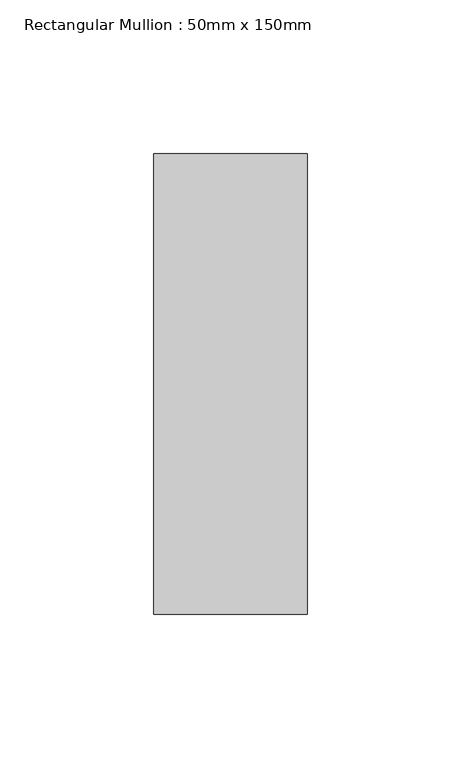
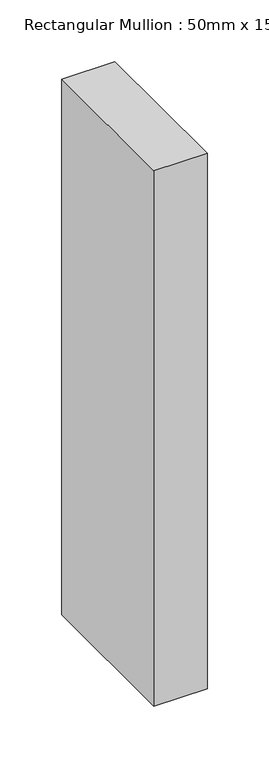
"""IFC4 building model written with IfcOpenShell, lengths in millimetres: member geometry, Rectangular Mullion : 50mm x 150mm."""

from ifc_helpers import new_model, si_unit, frame, origin, place, context, project, spatial, polyline, outline, extrude, source, transform, mapped, element, save


def rectangular_mullion_50mm_x_150mm_b6280d06(model_context):
    return source(origin(), model_context, "Body", "SweptSolid", [
        extrude(outline(polyline([(25.0, 75.0), (25.0, -75.0), (-25.0, -75.0), (-25.0, 75.0), (25.0, 75.0)])), frame((0.0, 0.0, -530.7894737), z_axis=(0.0, 0.0, 1.0), x_axis=(1.0, 0.0, 0.0)), (0.0, 0.0, 1.0), 530.7894737),
    ])


if __name__ == "__main__":
    model = new_model("IFC4")
    model_context = context("Model", 3, world=origin())
    ifc_project = project(units=[si_unit("LENGTHUNIT", "METRE", prefix="MILLI")], contexts=[model_context])
    site = spatial("IfcSite", under=ifc_project)
    building = spatial("IfcBuilding", under=site)
    placement = place(None, origin())
    rectangular_mullion_50mm_x_150mm_shape = rectangular_mullion_50mm_x_150mm_b6280d06(model_context)
    element("IfcMember", 1, ObjectType="Rectangular Mullion : 50mm x 150mm", at=placement, inside=building, context=model_context, shape_type="MappedRepresentation", body=[
        mapped(rectangular_mullion_50mm_x_150mm_shape, transform((0.0, 0.0, 0.0), x_axis=(1.0, 0.0, 0.0), y_axis=(0.0, 1.0, 0.0), z_axis=(0.0, 0.0, 1.0))),
    ])
    save(model, "model.ifc")
